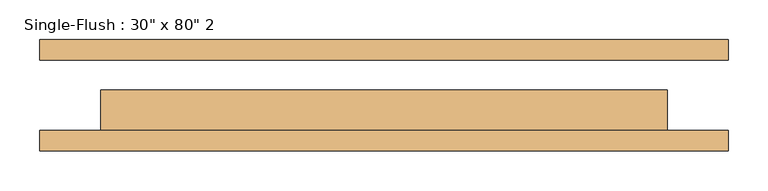
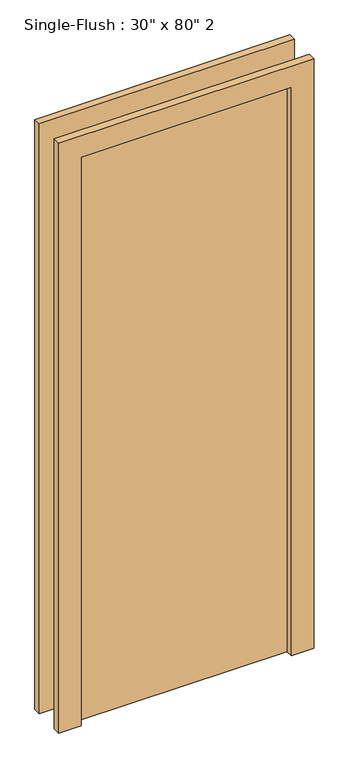
"""IFC4 building model written with IfcOpenShell, lengths in millimetres: door geometry."""

from ifc_helpers import new_model, si_unit, frame, origin, origin_with_axes, place, context, project, spatial, polyline, outline, extrude, source, transform, mapped, element, save


def door_5fa63d3e(model_context):
    return source(origin(), model_context, "Body", "SweptSolid", [
        extrude(outline(polyline([(2108.2, -431.8), (0.0, -431.8), (0.0, -355.6), (2032.0, -355.6), (2032.0, 355.6), (0.0, 355.6), (0.0, 431.8), (2108.2, 431.8), (2108.2, -431.8)])), frame((0.0, -69.85, 0.0), z_axis=(0.0, 1.0, 0.0), x_axis=(0.0, 0.0, 1.0)), (0.0, 0.0, 1.0), 25.4),
        extrude(outline(polyline([(2108.2, 431.8), (2108.2, -431.8), (0.0, -431.8), (0.0, -355.6), (2032.0, -355.6), (2032.0, 355.6), (0.0, 355.6), (0.0, 431.8), (2108.2, 431.8)])), frame((0.0, 44.45, 0.0), z_axis=(0.0, 1.0, 0.0), x_axis=(0.0, 0.0, 1.0)), (0.0, 0.0, 1.0), 25.4),
        extrude(outline(polyline([(355.6, 6.35), (355.6, -44.45), (-355.6, -44.45), (-355.6, 6.35), (355.6, 6.35)])), origin_with_axes(), (0.0, 0.0, 1.0), 2032.0),
    ])


if __name__ == "__main__":
    model = new_model("IFC4")
    model_context = context("Model", 3, world=origin())
    ifc_project = project(units=[si_unit("LENGTHUNIT", "METRE", prefix="MILLI")], contexts=[model_context])
    site = spatial("IfcSite", under=ifc_project)
    building = spatial("IfcBuilding", under=site)
    placement = place(None, origin())
    door_shape = door_5fa63d3e(model_context)
    element("IfcDoor", 1, ObjectType="Single-Flush : 30\" x 80\" 2", at=placement, inside=building, context=model_context, shape_type="MappedRepresentation", body=[
        mapped(door_shape, transform((0.0, 0.0, 0.0), x_axis=(1.0, 0.0, 0.0), y_axis=(0.0, 1.0, 0.0), z_axis=(0.0, 0.0, 1.0))),
    ])
    save(model, "model.ifc")
